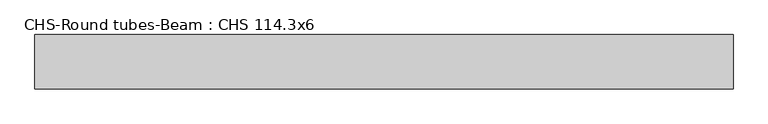
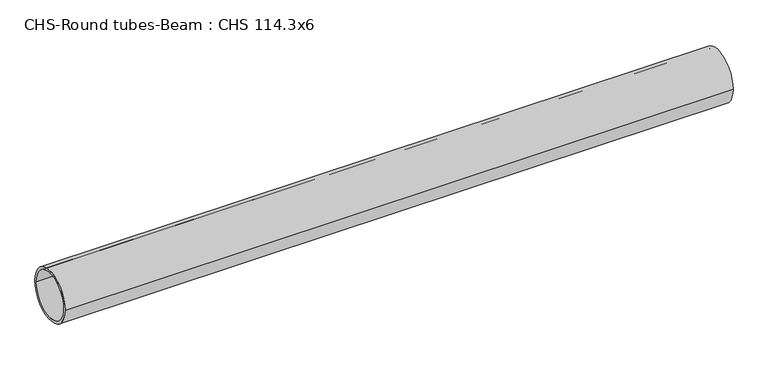
"""IFC4 building model written with IfcOpenShell, lengths in millimetres: beam geometry, CHS-Round tubes-Beam : CHS 114.3x6."""

import ifcopenshell
import ifcopenshell.guid

model = None  # the IFC model being written
_history = None  # IfcOwnerHistory: only IFC2X3 demands one
_inside = {}  # id of a spatial element -> (the spatial element, [elements in it])
_under = {}  # id of a project, library or spatial element -> (it, [spatial elements below it])
_declared = {}  # id of a project -> (the project, [libraries it declares])
_typed = {}  # id of a type object -> (the type object, [elements of that type])
_made_of = {}  # id of a material, layer set ... -> (it, [elements and type objects made of it])


def new_model(schema):
    """Start an empty IFC model of exactly this schema.

    Asked for "IFC4X3", IfcOpenShell would pick the latest addendum, in which some entities
    have other attributes; the version numbers below select the first issue.
    IFC2X3 requires an IfcOwnerHistory on every rooted entity: one is made here for all.
    """
    global model, _history
    if schema == "IFC4X3":
        model = ifcopenshell.file(schema_version=(4, 3, 0, 0))
    else:
        model = ifcopenshell.file(schema=schema)
    _inside.clear()
    _under.clear()
    _declared.clear()
    _typed.clear()
    _made_of.clear()
    _history = None
    if model.schema == "IFC2X3":
        org = make("IfcOrganization", Name="unknown")
        user = make(
            "IfcPersonAndOrganization",
            ThePerson=make("IfcPerson", FamilyName="unknown"),
            TheOrganization=org,
        )
        app = make(
            "IfcApplication",
            ApplicationDeveloper=org,
            Version="unknown",
            ApplicationFullName="unknown",
            ApplicationIdentifier="unknown",
        )
        _history = make(
            "IfcOwnerHistory",
            OwningUser=user,
            OwningApplication=app,
            ChangeAction="ADDED",
            CreationDate=0,
        )
    return model


def make(cls, **values):
    """One entity of the class cls with the attributes given. An attribute that is None is left unset."""
    return model.create_entity(
        cls, **{name: value for name, value in values.items() if value is not None}
    )


def rooted(cls, **values):
    """An entity with a GlobalId (a new one), such as an element, a storey or a relation."""
    return make(cls, GlobalId=ifcopenshell.guid.new(), OwnerHistory=_history, **values)


def si_unit(unit_type, name, prefix=None):
    """IfcSIUnit, for example si_unit("LENGTHUNIT", "METRE", prefix="MILLI")."""
    return make("IfcSIUnit", UnitType=unit_type, Prefix=prefix, Name=name)


def assignment(units):
    """IfcUnitAssignment: the units of a project."""
    return None if units is None else make("IfcUnitAssignment", Units=units)


def point(xyz):
    """IfcCartesianPoint."""
    return None if xyz is None else make("IfcCartesianPoint", Coordinates=xyz)


def direction(xyz):
    """IfcDirection."""
    return None if xyz is None else make("IfcDirection", DirectionRatios=xyz)


def frame(location, z_axis=None, x_axis=None):
    """IfcAxis2Placement3D, a coordinate frame: its origin and axes. An axis left out is left unset."""
    return make(
        "IfcAxis2Placement3D",
        Location=point(location),
        Axis=direction(z_axis),
        RefDirection=direction(x_axis),
    )


def frame_2d(location, x_axis=None):
    """IfcAxis2Placement2D, a coordinate frame in the plane: its origin and x axis."""
    return make(
        "IfcAxis2Placement2D", Location=point(location), RefDirection=direction(x_axis)
    )


def origin():
    """The frame at (0, 0, 0) with its axes left unset."""
    return frame((0.0, 0.0, 0.0))


def origin_2d():
    """The frame at (0, 0) in the plane with its x axis left unset."""
    return frame_2d((0.0, 0.0))


def place(relative_to, where):
    """IfcLocalPlacement: puts the frame where relative to a parent placement (None: the world)."""
    return make(
        "IfcLocalPlacement", PlacementRelTo=relative_to, RelativePlacement=where
    )


def context(
    kind, dimensions, precision=None, world=None, true_north=None, identifier=None
):
    """IfcGeometricRepresentationContext, for example the 3D "Model" context."""
    return make(
        "IfcGeometricRepresentationContext",
        ContextIdentifier=identifier,
        ContextType=kind,
        CoordinateSpaceDimension=dimensions,
        Precision=precision,
        WorldCoordinateSystem=world,
        TrueNorth=true_north,
    )


def project(units=None, contexts=None):
    """IfcProject with its units and contexts."""
    return rooted(
        "IfcProject",
        Name="project",
        RepresentationContexts=contexts,
        UnitsInContext=assignment(units),
    )


def spatial(cls, under=None, at=None, **own):
    """A site, building, storey or space (cls), placed at a placement, below another one or the project."""
    s = rooted(cls, ObjectPlacement=at, **own)
    if under is not None:
        _under.setdefault(under.id(), (under, []))[1].append(s)
    return s


def circle_curve(where, radius):
    """IfcCircle in the frame where."""
    return make("IfcCircle", Position=where, Radius=radius)


def trimmed(basis, trim1, trim2, sense, master):
    """IfcTrimmedCurve: the piece of a basis curve between two trims."""
    return make(
        "IfcTrimmedCurve",
        BasisCurve=basis,
        Trim1=trim1,
        Trim2=trim2,
        SenseAgreement=sense,
        MasterRepresentation=master,
    )


def segment(curve, same_sense, transition):
    """IfcCompositeCurveSegment."""
    return make(
        "IfcCompositeCurveSegment",
        Transition=transition,
        SameSense=same_sense,
        ParentCurve=curve,
    )


def composite_curve(segments, self_intersect=None):
    """IfcCompositeCurve: segments joined end to end."""
    return make("IfcCompositeCurve", Segments=segments, SelfIntersect=self_intersect)


def outline(outer, holes=None, kind="AREA"):
    """IfcArbitraryClosedProfileDef: a profile drawn as a closed curve; with holes, ...WithVoids."""
    if holes is None:
        return make("IfcArbitraryClosedProfileDef", ProfileType=kind, OuterCurve=outer)
    return make(
        "IfcArbitraryProfileDefWithVoids",
        ProfileType=kind,
        OuterCurve=outer,
        InnerCurves=holes,
    )


def extrude(swept, where, along, depth):
    """IfcExtrudedAreaSolid: the profile swept, set in the frame where, extruded along a direction by depth."""
    return make(
        "IfcExtrudedAreaSolid",
        SweptArea=swept,
        Position=where,
        ExtrudedDirection=direction(along),
        Depth=depth,
    )


def shape(context_of_items, identifier, shape_type, items):
    """IfcShapeRepresentation: the items that make up one representation, for example the "Body"."""
    return make(
        "IfcShapeRepresentation",
        ContextOfItems=context_of_items,
        RepresentationIdentifier=identifier,
        RepresentationType=shape_type,
        Items=items,
    )


def source(mapping_origin, context_of_items, identifier, shape_type, items):
    """IfcRepresentationMap: a shape defined once, which mapped items show again and again."""
    return make(
        "IfcRepresentationMap",
        MappingOrigin=mapping_origin,
        MappedRepresentation=shape(context_of_items, identifier, shape_type, items),
    )


def transform(
    local_origin,
    x_axis=None,
    y_axis=None,
    z_axis=None,
    scale=None,
    scale2=None,
    scale3=None,
    uniform=True,
):
    """IfcCartesianTransformationOperator3D, or its non-uniform kind. x_axis, y_axis, z_axis: its Axis1, 2, 3."""
    if uniform:
        return make(
            "IfcCartesianTransformationOperator3D",
            Axis1=direction(x_axis),
            Axis2=direction(y_axis),
            LocalOrigin=point(local_origin),
            Scale=scale,
            Axis3=direction(z_axis),
        )
    return make(
        "IfcCartesianTransformationOperator3DnonUniform",
        Axis1=direction(x_axis),
        Axis2=direction(y_axis),
        LocalOrigin=point(local_origin),
        Scale=scale,
        Axis3=direction(z_axis),
        Scale2=scale2,
        Scale3=scale3,
    )


def mapped(mapping_source, mapping_target):
    """IfcMappedItem: shows the shape of a source again, moved by a transform."""
    return make(
        "IfcMappedItem", MappingSource=mapping_source, MappingTarget=mapping_target
    )


def made_of(thing, what):
    """Note that an element or type object is made of a material, layer set ...; save() writes the relation."""
    if what is not None:
        _made_of.setdefault(what.id(), (what, []))[1].append(thing)
    return thing


def element(
    cls,
    number,
    at=None,
    inside=None,
    cuts=None,
    type_object=None,
    material=None,
    context=None,
    identifier="Body",
    shape_type=None,
    held_by="IfcProductDefinitionShape",
    body=None,
    shapes=None,
    **own,
):
    """One element of the class cls, such as IfcWall. Its Tag is "e" and its number.

    at: its placement. inside: the storey or other place that contains it. cuts: it is an
    opening in that element (IfcRelVoidsElement). A single representation is given by context,
    identifier, shape_type and body (its items); several are given by shapes. held_by: the class
    of the entity that holds the representations. save() writes the other relations.
    """
    e = rooted(cls, Tag="e%d" % number, ObjectPlacement=at, **own)
    if body is not None:
        shapes = [shape(context, identifier, shape_type, body)]
    if shapes is not None:
        e.Representation = make(held_by, Representations=shapes)
    if inside is not None:
        _inside.setdefault(inside.id(), (inside, []))[1].append(e)
    if cuts is not None:
        rooted(
            "IfcRelVoidsElement", RelatingBuildingElement=cuts, RelatedOpeningElement=e
        )
    if type_object is not None:
        _typed.setdefault(type_object.id(), (type_object, []))[1].append(e)
    return made_of(e, material)


def aggregate(whole, parts):
    """IfcRelAggregates: a whole, such as a stair, and the parts it consists of."""
    return rooted("IfcRelAggregates", RelatingObject=whole, RelatedObjects=parts)


def save(model, path):
    """Write the relations noted so far, then the file.

    IfcRelAggregates (storeys below a building ...), IfcRelContainedInSpatialStructure (elements
    in a storey), IfcRelDefinesByType, IfcRelAssociatesMaterial and IfcRelDeclares: one each for
    every whole, place, type object, material and project.
    """
    for whole, parts in _under.values():
        aggregate(whole, parts)
    for where, things in _inside.values():
        rooted(
            "IfcRelContainedInSpatialStructure",
            RelatedElements=things,
            RelatingStructure=where,
        )
    for kind, things in _typed.values():
        rooted("IfcRelDefinesByType", RelatedObjects=things, RelatingType=kind)
    for what, things in _made_of.values():
        rooted("IfcRelAssociatesMaterial", RelatedObjects=things, RelatingMaterial=what)
    for by, libraries in _declared.values():
        rooted("IfcRelDeclares", RelatingContext=by, RelatedDefinitions=libraries)
    model.write(path)


def chs_round_tubes_beam_chs_114_3x6_d2349ea6(model_context):
    return source(origin(), model_context, "Body", "SweptSolid", [
        extrude(outline(composite_curve([segment(trimmed(circle_curve(origin_2d(), 57.15), [point((57.15, 0.0))], [point((-57.15, 0.0))], False, "CARTESIAN"), True, "CONTINUOUS"), segment(trimmed(circle_curve(origin_2d(), 57.15), [point((-57.15, 0.0))], [point((57.15, 0.0))], False, "CARTESIAN"), True, "CONTINUOUS")], self_intersect=False), holes=[composite_curve([segment(trimmed(circle_curve(origin_2d(), 51.15), [point((51.15, 0.0))], [point((-51.15, 0.0))], True, "CARTESIAN"), True, "CONTINUOUS"), segment(trimmed(circle_curve(origin_2d(), 51.15), [point((-51.15, 0.0))], [point((51.15, 0.0))], True, "CARTESIAN"), True, "CONTINUOUS")], self_intersect=False)]), frame((-774.0362969, 0.0, 0.0), z_axis=(1.0, 0.0, 0.0), x_axis=(0.0, 1.0, 0.0)), (0.0, 0.0, 1.0), 1465.1227519),
    ])


if __name__ == "__main__":
    model = new_model("IFC4")
    model_context = context("Model", 3, world=origin())
    ifc_project = project(units=[si_unit("LENGTHUNIT", "METRE", prefix="MILLI")], contexts=[model_context])
    site = spatial("IfcSite", under=ifc_project)
    building = spatial("IfcBuilding", under=site)
    placement = place(None, origin())
    chs_round_tubes_beam_chs_114_3x6_shape = chs_round_tubes_beam_chs_114_3x6_d2349ea6(model_context)
    element("IfcBeam", 1, ObjectType="CHS-Round tubes-Beam : CHS 114.3x6", at=placement, inside=building, context=model_context, shape_type="MappedRepresentation", body=[
        mapped(chs_round_tubes_beam_chs_114_3x6_shape, transform((0.0, 0.0, 0.0), x_axis=(1.0, 0.0, 0.0), y_axis=(0.0, 1.0, 0.0), z_axis=(0.0, 0.0, 1.0))),
    ])
    save(model, "model.ifc")
